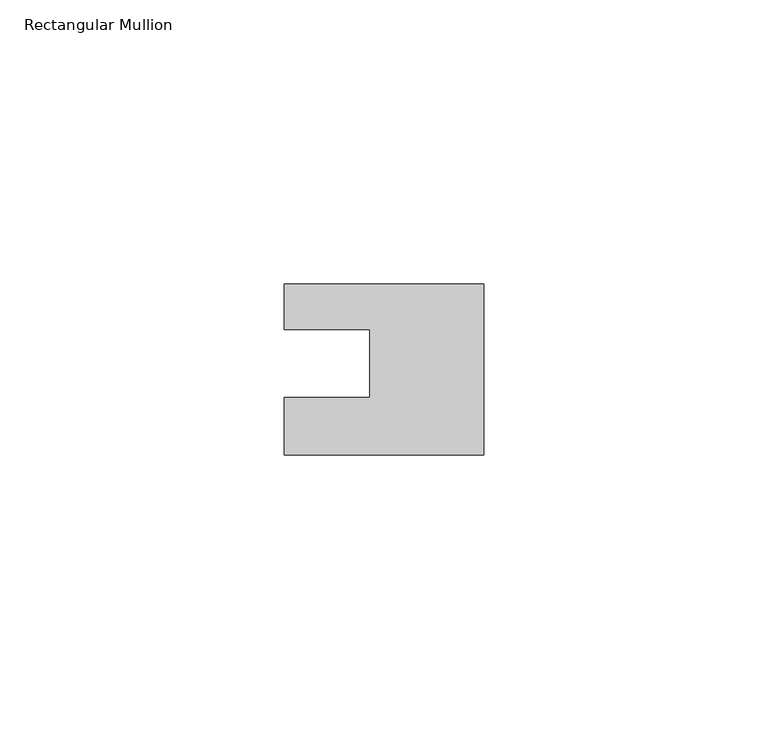
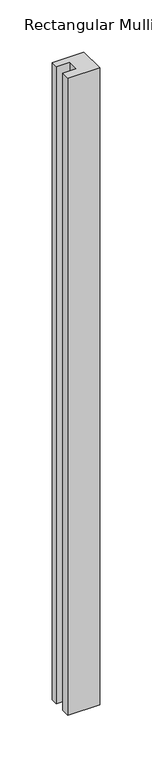
"""IFC4 building model written with IfcOpenShell, lengths in millimetres: member geometry, Rectangular Mullion."""

from ifc_helpers import new_model, si_unit, frame, origin, place, context, project, spatial, polyline, outline, extrude, source, transform, mapped, element, save


def rectangular_mullion_28833822(model_context):
    return source(origin(), model_context, "Body", "SweptSolid", [
        extrude(outline(polyline([(0.0, 7.94), (0.0, -22.06), (-35.0, -22.06), (-35.0, -12.0), (-20.0, -12.0), (-20.0, 0.001), (-35.0, 0.001), (-35.0, 7.94), (0.0, 7.94)])), frame((0.0, 0.0, -745.0561012), z_axis=(0.0, 0.0, 1.0), x_axis=(1.0, 0.0, 0.0)), (0.0, 0.0, 1.0), 745.0561012),
    ])


if __name__ == "__main__":
    model = new_model("IFC4")
    model_context = context("Model", 3, world=origin())
    ifc_project = project(units=[si_unit("LENGTHUNIT", "METRE", prefix="MILLI")], contexts=[model_context])
    site = spatial("IfcSite", under=ifc_project)
    building = spatial("IfcBuilding", under=site)
    placement = place(None, origin())
    rectangular_mullion_shape = rectangular_mullion_28833822(model_context)
    element("IfcMember", 1, ObjectType="Rectangular Mullion", at=placement, inside=building, context=model_context, shape_type="MappedRepresentation", body=[
        mapped(rectangular_mullion_shape, transform((0.0, 0.0, 0.0), x_axis=(1.0, 0.0, 0.0), y_axis=(0.0, 1.0, 0.0), z_axis=(0.0, 0.0, 1.0))),
    ])
    save(model, "model.ifc")
